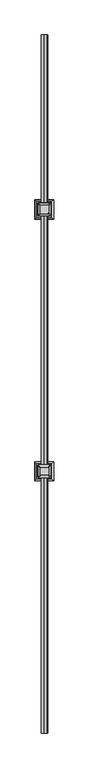
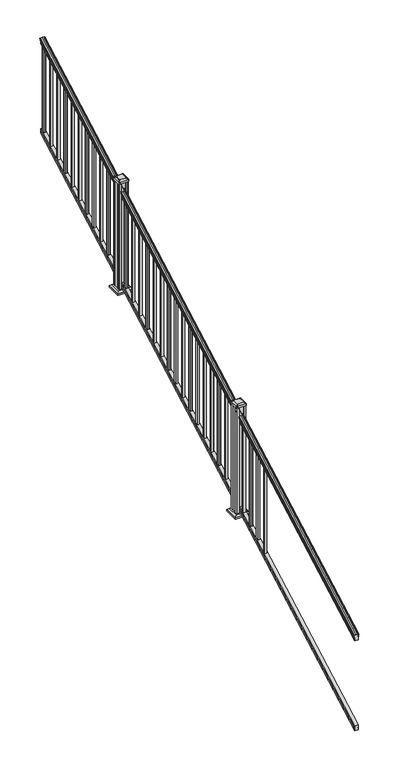
"""IFC4 building model written with IfcOpenShell, lengths in millimetres: railing geometry."""

from ifc_helpers import new_model, si_unit, point, frame, frame_2d, origin, place, context, project, spatial, polyline, circle_curve, ellipse_curve, trimmed, segment, composite_curve, outline, extrude, faceted_brep, source, transform, mapped, element, save
from ifc_brep_helpers import plane_surface, cylinder_surface, revolved_surface, extruded_surface, advanced_brep


def railing_6bd56a1e(model_context):
    return source(origin(), model_context, "Body", "SolidModel", [
        advanced_brep(
        [(8367.5614371, 1778.9805319, 1111.1933), (8370.1352659, 1778.9805319, 1111.1933), (8370.1352659, 1778.9805319, 1099.0017677), (8369.1192659, 1778.9805319, 1097.8395054), (8369.1192659, 1778.9805319, 1083.7333333), (8400.8692659, 1778.9805319, 1083.7333333), (8400.8692659, 1778.9805319, 1098.0200397), (8399.8532659, 1778.9805319, 1099.182302), (8399.8532659, 1778.9805319, 1111.1933), (8402.4270946, 1778.9805319, 1111.1933), (8402.4270946, 1778.9805319, 1113.3531886), (8403.5572809, 1778.9805319, 1115.140347), (8403.5572809, 1778.9805319, 1123.3974153), (8402.9080245, 1778.9805319, 1126.1811654), (8405.4080245, 1778.9805319, 1131.1346527), (8406.817367, 1778.9805319, 1133.0560334), (8407.219266, 1778.9805319, 1134.3198045), (8407.2192659, 1778.9805319, 1135.8530343), (8405.6658186, 1778.9805319, 1137.6301141), (8384.9942659, 1778.9805319, 1137.6301141), (8364.3227131, 1778.9805319, 1137.6301141), (8362.7692659, 1778.9805319, 1135.8530343), (8362.7692659, 1778.9805319, 1134.3198045), (8363.1711648, 1778.9805319, 1133.0560334), (8364.5805072, 1778.9805319, 1131.1346527), (8367.0805072, 1778.9805319, 1126.1811654), (8366.4312508, 1778.9805319, 1123.3974153), (8366.4312508, 1778.9805319, 1115.140347), (8367.5614371, 1778.9805319, 1113.3531886), (8367.5614371, 6655.7805319, 3820.5266334), (8367.5614371, 6655.7805319, 3822.6865219), (8366.4312508, 6655.7805319, 3824.4736803), (8366.4312508, 6655.7805319, 3832.7307486), (8367.0805072, 6655.7805319, 3835.5144987), (8364.5805072, 6655.7805319, 3840.4679861), (8363.1711648, 6655.7805319, 3842.3893668), (8362.7692658, 6655.7805319, 3843.6531378), (8362.7692659, 6655.7805319, 3845.1863676), (8364.3227131, 6655.7805319, 3846.9634474), (8384.9942659, 6655.7805319, 3846.9634474), (8405.6658186, 6655.7805319, 3846.9634474), (8407.2192659, 6655.7805319, 3845.1863676), (8407.2192659, 6655.7805319, 3843.6531378), (8406.817367, 6655.7805319, 3842.3893668), (8405.4080245, 6655.7805319, 3840.4679861), (8402.9080245, 6655.7805319, 3835.5144987), (8403.5572809, 6655.7805319, 3832.7307486), (8403.5572809, 6655.7805319, 3824.4736803), (8402.4270946, 6655.7805319, 3822.6865219), (8402.4270946, 6655.7805319, 3820.5266334), (8399.8532659, 6655.7805319, 3820.5266334), (8399.8532659, 6655.7805319, 3808.5156353), (8400.8692659, 6655.7805319, 3807.3533731), (8400.8692659, 6655.7805319, 3793.0666667), (8369.1192659, 6655.7805319, 3793.0666667), (8369.1192659, 6655.7805319, 3807.1728388), (8370.1352659, 6655.7805319, 3808.335101), (8370.1352659, 6655.7805319, 3820.5266334)],
        [
            (0, 1, ellipse_curve(frame((8368.8483515, 1778.9805319, 1111.1933), z_axis=(0.0, -1.0, 0.0), x_axis=(0.0, 0.0, -1.0)), 1.4721772, 1.2869144)),
            (1, 2),
            (2, 3),
            (3, 4),
            (4, 5),
            (5, 6),
            (6, 7),
            (7, 8),
            (8, 9, ellipse_curve(frame((8401.1401802, 1778.9805319, 1111.1933), z_axis=(0.0, -1.0, 0.0), x_axis=(0.0, 0.0, -1.0)), 1.4721772, 1.2869144)),
            (9, 10),
            (10, 11, ellipse_curve(frame((8396.1123413, 1778.9805319, 1119.9403628), z_axis=(0.0, -1.0, 0.0), x_axis=(0.0, 0.0, -1.0)), 9.7762168, 8.545951)),
            (11, 12, ellipse_curve(frame((8396.5494043, 1778.9805319, 1119.2688811), z_axis=(0.0, -1.0, 0.0), x_axis=(0.0, 0.0, -1.0)), 9.0173521, 7.882584)),
            (12, 13, ellipse_curve(frame((8407.0627284, 1778.9805319, 1125.9582895), z_axis=(0.0, 1.0, 0.0), x_axis=(0.0, 0.0, 1.0)), 4.7580334, 4.1592695)),
            (13, 14, ellipse_curve(frame((8408.350035, 1778.9805319, 1125.8892329), z_axis=(0.0, 1.0, 0.0), x_axis=(0.0, 0.0, 1.0)), 6.2322774, 5.4479907)),
            (14, 15, ellipse_curve(frame((8407.1168765, 1778.9805319, 1131.1314345), z_axis=(0.0, 1.0, 0.0), x_axis=(0.0, 0.0, 1.0)), 1.9548591, 1.7088543)),
            (15, 16, ellipse_curve(frame((8405.4999764, 1778.9805319, 1134.3198045), z_axis=(0.0, -1.0, 0.0), x_axis=(0.0, 0.0, -1.0)), 1.9667965, 1.7192895)),
            (16, 17),
            (17, 18, ellipse_curve(frame((8405.6658186, 1778.9805319, 1135.8530343), z_axis=(0.0, -1.0, 0.0), x_axis=(0.0, 0.0, -1.0)), 1.7770798, 1.5534472)),
            (18, 19),
            (19, 20),
            (20, 21, ellipse_curve(frame((8364.3227131, 1778.9805319, 1135.8530343), z_axis=(0.0, -1.0, 0.0), x_axis=(0.0, 0.0, -1.0)), 1.7770798, 1.5534472)),
            (21, 22),
            (22, 23, ellipse_curve(frame((8364.4885553, 1778.9805319, 1134.3198045), z_axis=(0.0, -1.0, 0.0), x_axis=(0.0, 0.0, -1.0)), 1.9667965, 1.7192895)),
            (23, 24, ellipse_curve(frame((8362.8716552, 1778.9805319, 1131.1314345), z_axis=(0.0, 1.0, 0.0), x_axis=(0.0, 0.0, 1.0)), 1.9548591, 1.7088543)),
            (24, 25, ellipse_curve(frame((8361.6384968, 1778.9805319, 1125.8892329), z_axis=(0.0, 1.0, 0.0), x_axis=(0.0, 0.0, 1.0)), 6.2322774, 5.4479907)),
            (25, 26, ellipse_curve(frame((8362.9258033, 1778.9805319, 1125.9582895), z_axis=(0.0, 1.0, 0.0), x_axis=(0.0, 0.0, 1.0)), 4.7580334, 4.1592695)),
            (26, 27, ellipse_curve(frame((8373.4391275, 1778.9805319, 1119.2688811), z_axis=(0.0, -1.0, 0.0), x_axis=(0.0, 0.0, -1.0)), 9.0173521, 7.882584)),
            (27, 28, ellipse_curve(frame((8373.8761904, 1778.9805319, 1119.9403628), z_axis=(0.0, -1.0, 0.0), x_axis=(0.0, 0.0, -1.0)), 9.7762168, 8.545951)),
            (28, 0),
            (29, 30),
            (30, 31, ellipse_curve(frame((8373.8761904, 6655.7805319, 3829.2736961), z_axis=(0.0, 1.0, 0.0), x_axis=(0.0, 0.0, -1.0)), 9.7762168, 8.545951)),
            (31, 32, ellipse_curve(frame((8373.4391275, 6655.7805319, 3828.6022145), z_axis=(0.0, 1.0, 0.0), x_axis=(0.0, 0.0, -1.0)), 9.0173521, 7.882584)),
            (32, 33, ellipse_curve(frame((8362.9258033, 6655.7805319, 3835.2916228), z_axis=(0.0, -1.0, 0.0), x_axis=(0.0, 0.0, 1.0)), 4.7580334, 4.1592695)),
            (33, 34, ellipse_curve(frame((8361.6384968, 6655.7805319, 3835.2225663), z_axis=(0.0, -1.0, 0.0), x_axis=(0.0, 0.0, 1.0)), 6.2322774, 5.4479907)),
            (34, 35, ellipse_curve(frame((8362.8716552, 6655.7805319, 3840.4647678), z_axis=(0.0, -1.0, 0.0), x_axis=(0.0, 0.0, 1.0)), 1.9548591, 1.7088543)),
            (35, 36, ellipse_curve(frame((8364.4885553, 6655.7805319, 3843.6531378), z_axis=(0.0, 1.0, 0.0), x_axis=(0.0, 0.0, -1.0)), 1.9667965, 1.7192895)),
            (36, 37),
            (37, 38, ellipse_curve(frame((8364.3227131, 6655.7805319, 3845.1863676), z_axis=(0.0, 1.0, 0.0), x_axis=(0.0, 0.0, -1.0)), 1.7770798, 1.5534472)),
            (38, 39),
            (39, 40),
            (40, 41, ellipse_curve(frame((8405.6658186, 6655.7805319, 3845.1863676), z_axis=(0.0, 1.0, 0.0), x_axis=(0.0, 0.0, -1.0)), 1.7770798, 1.5534472)),
            (41, 42),
            (42, 43, ellipse_curve(frame((8405.4999764, 6655.7805319, 3843.6531378), z_axis=(0.0, 1.0, 0.0), x_axis=(0.0, 0.0, -1.0)), 1.9667965, 1.7192895)),
            (43, 44, ellipse_curve(frame((8407.1168765, 6655.7805319, 3840.4647678), z_axis=(0.0, -1.0, 0.0), x_axis=(0.0, 0.0, 1.0)), 1.9548591, 1.7088543)),
            (44, 45, ellipse_curve(frame((8408.350035, 6655.7805319, 3835.2225663), z_axis=(0.0, -1.0, 0.0), x_axis=(0.0, 0.0, 1.0)), 6.2322774, 5.4479907)),
            (45, 46, ellipse_curve(frame((8407.0627284, 6655.7805319, 3835.2916228), z_axis=(0.0, -1.0, 0.0), x_axis=(0.0, 0.0, 1.0)), 4.7580334, 4.1592695)),
            (46, 47, ellipse_curve(frame((8396.5494043, 6655.7805319, 3828.6022145), z_axis=(0.0, 1.0, 0.0), x_axis=(0.0, 0.0, -1.0)), 9.0173521, 7.882584)),
            (47, 48, ellipse_curve(frame((8396.1123413, 6655.7805319, 3829.2736961), z_axis=(0.0, 1.0, 0.0), x_axis=(0.0, 0.0, -1.0)), 9.7762168, 8.545951)),
            (48, 49),
            (49, 50, ellipse_curve(frame((8401.1401802, 6655.7805319, 3820.5266334), z_axis=(0.0, 1.0, 0.0), x_axis=(0.0, 0.0, -1.0)), 1.4721772, 1.2869144)),
            (50, 51),
            (51, 52),
            (52, 53),
            (53, 54),
            (54, 55),
            (55, 56),
            (56, 57),
            (57, 29, ellipse_curve(frame((8368.8483515, 6655.7805319, 3820.5266334), z_axis=(0.0, 1.0, 0.0), x_axis=(0.0, 0.0, -1.0)), 1.4721772, 1.2869144)),
            (0, 29),
            (57, 1),
            (56, 2),
            (55, 3),
            (54, 4),
            (53, 5),
            (52, 6),
            (51, 7),
            (50, 8),
            (49, 9),
            (48, 10),
            (47, 11),
            (46, 12),
            (45, 13),
            (44, 14),
            (43, 15),
            (42, 16),
            (41, 17),
            (40, 18),
            (39, 19),
            (38, 20),
            (37, 21),
            (36, 22),
            (35, 23),
            (34, 24),
            (33, 25),
            (32, 26),
            (31, 27),
            (30, 28),
        ],
        [
            plane_surface(frame((8384.9942659, 1778.9805319, 1083.7333333), z_axis=(0.0, -1.0, 0.0), x_axis=(0.0, 0.0, 1.0))),
            plane_surface(frame((8384.9942659, 6655.7805319, 3793.0666667), z_axis=(0.0, 1.0, 0.0), x_axis=(0.0, 0.0, 1.0))),
            cylinder_surface(frame((8368.8483515, 1767.3229989, 1104.7168928), z_axis=(0.0, -0.8741572761215699, -0.4856429311785742), x_axis=(1.0, 0.0, 0.0)), 1.2869144),
            plane_surface(frame((8370.1352659, 1778.9805319, 1111.1933), z_axis=(-1.0000000000000002, 0.0, 0.0), x_axis=(0.0, 0.87415727612157, 0.4856429311785743))),
            plane_surface(frame((8370.1352659, 1778.9805319, 1099.0017677), z_axis=(-0.7071067811865404, -0.34340140987168444, 0.6181225377691303), x_axis=(0.0, 0.87415727612157, 0.4856429311785743))),
            plane_surface(frame((8369.1192659, 1778.9805319, 1097.8395054), z_axis=(-1.0000000000000002, 0.0, 0.0), x_axis=(0.0, 0.87415727612157, 0.4856429311785743))),
            plane_surface(frame((8369.1192659, 1778.9805319, 1083.7333333), z_axis=(0.0, 0.4856429311785744, -0.8741572761215699), x_axis=(0.0, 0.8741572761215699, 0.4856429311785744))),
            plane_surface(frame((8400.8692659, 1778.9805319, 1083.7333333), z_axis=(1.0000000000000002, 0.0, 0.0), x_axis=(0.0, 0.8741572761215699, 0.4856429311785744))),
            plane_surface(frame((8400.8692659, 1778.9805319, 1098.0200397), z_axis=(0.7071067811865428, -0.34340140987168494, 0.6181225377691273), x_axis=(0.0, 0.87415727612157, 0.4856429311785743))),
            plane_surface(frame((8399.8532659, 1778.9805319, 1099.182302), z_axis=(1.0000000000000002, 0.0, 0.0), x_axis=(0.0, 0.8741572761215699, 0.4856429311785744))),
            cylinder_surface(frame((8401.1401802, 1767.3229989, 1104.7168928), z_axis=(0.0, -0.8741572761215699, -0.4856429311785742), x_axis=(-1.0, 0.0, 0.0)), 1.2869144),
            plane_surface(frame((8402.4270946, 1778.9805319, 1111.1933), z_axis=(1.0000000000000002, 0.0, 0.0), x_axis=(0.0, 0.8741572761215699, 0.4856429311785744))),
            cylinder_surface(frame((8396.1123413, 1763.6096232, 1111.4009691), z_axis=(0.0, -0.8741572761215699, -0.4856429311785742), x_axis=(-1.0, 0.0, 0.0)), 8.545951),
            cylinder_surface(frame((8396.5494043, 1763.8946861, 1110.8878557), z_axis=(0.0, -0.8741572761215699, -0.4856429311785742), x_axis=(-1.0, 0.0, 0.0)), 7.882584),
            revolved_surface(polyline([(8402.9034589, 6657.80045174452, 3836.413800479864), (8402.9034589, 1776.9606120792462, 1124.8361117773575)]), (8407.0627284, 1761.054843, 1115.9995734), (0.0, 0.8741572761215699, 0.4856429311785742)),
            revolved_surface(polyline([(8402.902044299999, 6658.426310041689, 3836.6924430449585), (8402.902044299999, 1776.3347537301895, 1124.4193562056596)]), (8408.350035, 1761.0841594, 1115.9468038), (0.0, 0.8741572761215699, 0.4856429311785742)),
            revolved_surface(polyline([(8405.4080222, 6656.610424923765, 3840.925819457223), (8405.4080222, 1778.1506389094347, 1130.6703827830177)]), (8407.1168765, 1758.8586965, 1119.952637), (0.0, 0.8741572761215699, 0.4856429311785742)),
            cylinder_surface(frame((8405.4999764, 1757.5051432, 1122.389033), z_axis=(0.0, -0.8741572761215699, -0.4856429311785742), x_axis=(-1.0, 0.0, 0.0)), 1.7192895),
            plane_surface(frame((8407.2192659, 1778.9805319, 1134.3198045), z_axis=(1.0, 0.0, 0.0), x_axis=(0.0, 0.8741572761215698, 0.4856429311785744))),
            cylinder_surface(frame((8405.6658186, 1756.8542438, 1123.560652), z_axis=(0.0, -0.8741572761215699, -0.4856429311785742), x_axis=(-1.0, 0.0, 0.0)), 1.5534472),
            plane_surface(frame((8405.6658186, 1778.9805319, 1137.6301141), z_axis=(0.0, -0.4856429311785744, 0.8741572761215699), x_axis=(0.0, 0.8741572761215699, 0.4856429311785744))),
            plane_surface(frame((8384.9942659, 1778.9805319, 1137.6301141), z_axis=(0.0, -0.4856429311785743, 0.87415727612157), x_axis=(0.0, 0.87415727612157, 0.4856429311785743))),
            cylinder_surface(frame((8364.3227131, 1756.8542438, 1123.560652), z_axis=(0.0, -0.8741572761215699, -0.4856429311785742), x_axis=(1.0, 0.0, 0.0)), 1.5534472),
            plane_surface(frame((8362.7692659, 1778.9805319, 1135.8530343), z_axis=(-1.0000000000000002, 0.0, 0.0), x_axis=(0.0, 0.8741572761215699, 0.4856429311785744))),
            cylinder_surface(frame((8364.4885553, 1757.5051432, 1122.389033), z_axis=(0.0, -0.8741572761215699, -0.4856429311785742), x_axis=(1.0, 0.0, 0.0)), 1.7192895),
            revolved_surface(polyline([(8364.580509500001, 6656.610424923765, 3840.925819457223), (8364.580509500001, 1778.1506389094347, 1130.6703827830177)]), (8362.8716552, 1758.8586965, 1119.952637), (0.0, 0.8741572761215699, 0.4856429311785742)),
            revolved_surface(polyline([(8367.0864875, 6658.426310041689, 3836.6924430449585), (8367.0864875, 1776.3347537301895, 1124.4193562056596)]), (8361.6384968, 1761.0841594, 1115.9468038), (0.0, 0.8741572761215699, 0.4856429311785742)),
            revolved_surface(polyline([(8367.0850728, 6657.80045174452, 3836.413800479864), (8367.0850728, 1776.9606120792462, 1124.8361117773575)]), (8362.9258033, 1761.054843, 1115.9995734), (0.0, 0.8741572761215699, 0.4856429311785742)),
            cylinder_surface(frame((8373.4391275, 1763.8946861, 1110.8878557), z_axis=(0.0, -0.8741572761215699, -0.4856429311785742), x_axis=(1.0, 0.0, 0.0)), 7.882584),
            cylinder_surface(frame((8373.8761904, 1763.6096232, 1111.4009691), z_axis=(0.0, -0.8741572761215699, -0.4856429311785742), x_axis=(1.0, 0.0, 0.0)), 8.545951),
            plane_surface(frame((8367.5614371, 1778.9805319, 1113.3531886), z_axis=(-1.0000000000000002, 0.0, 0.0), x_axis=(0.0, 0.87415727612157, 0.4856429311785743))),
        ],
        [
            (0, [[1, 2, 3, 4, 5, 6, 7, 8, 9, 10, 11, 12, 13, 14, 15, 16, 17, 18, 19, 20, 21, 22, 23, 24, 25, 26, 27, 28, 29]]),
            (1, [[30, 31, 32, 33, 34, 35, 36, 37, 38, 39, 40, 41, 42, 43, 44, 45, 46, 47, 48, 49, 50, 51, 52, 53, 54, 55, 56, 57, 58]]),
            (2, [[-1, 59, -58, 60]]),
            (3, [[-2, -60, -57, 61]]),
            (4, [[-3, -61, -56, 62]]),
            (5, [[-4, -62, -55, 63]]),
            (6, [[-5, -63, -54, 64]]),
            (7, [[-6, -64, -53, 65]]),
            (8, [[-7, -65, -52, 66]]),
            (9, [[-8, -66, -51, 67]]),
            (10, [[-9, -67, -50, 68]]),
            (11, [[-10, -68, -49, 69]]),
            (12, [[-11, -69, -48, 70]]),
            (13, [[-12, -70, -47, 71]]),
            (14, [[-13, -71, -46, 72]]),
            (15, [[-14, -72, -45, 73]]),
            (16, [[-15, -73, -44, 74]]),
            (17, [[-16, -74, -43, 75]]),
            (18, [[-17, -75, -42, 76]]),
            (19, [[-18, -76, -41, 77]]),
            (20, [[-19, -77, -40, 78]]),
            (21, [[-20, -78, -39, 79]]),
            (22, [[-21, -79, -38, 80]]),
            (23, [[-22, -80, -37, 81]]),
            (24, [[-23, -81, -36, 82]]),
            (25, [[-24, -82, -35, 83]]),
            (26, [[-25, -83, -34, 84]]),
            (27, [[-26, -84, -33, 85]]),
            (28, [[-27, -85, -32, 86]]),
            (29, [[-28, -86, -31, 87]]),
            (30, [[-29, -87, -30, -59]]),
        ],
    ),
        faceted_brep([(8369.081779, 1778.9805319, 247.1948195), (8369.081779, 1778.9805319, 232.8333333), (8400.831779, 1778.9805319, 232.8333333), (8400.831779, 1778.9805319, 247.1757762), (8399.815779, 1778.9805319, 248.7181503), (8399.815779, 1778.9805319, 260.5143074), (8400.831779, 1778.9805319, 262.0566814), (8400.831779, 1778.9805319, 276.4134523), (8369.081779, 1778.9805319, 276.4134523), (8369.081779, 1778.9805319, 262.0757247), (8370.097779, 1778.9805319, 260.5333506), (8370.097779, 1778.9805319, 248.6824473), (8369.081779, 6655.7805319, 2956.5281528), (8370.097779, 6655.7805319, 2958.0157807), (8370.097779, 6655.7805319, 2969.8666839), (8369.081779, 6655.7805319, 2971.409058), (8369.081779, 6655.7805319, 2985.7467856), (8400.831779, 6655.7805319, 2985.7467856), (8400.831779, 6655.7805319, 2971.3900148), (8399.815779, 6655.7805319, 2969.8476407), (8399.815779, 6655.7805319, 2958.0514837), (8400.831779, 6655.7805319, 2956.5091096), (8400.831779, 6655.7805319, 2942.1666667), (8369.081779, 6655.7805319, 2942.1666667)], [[[0, 1, 2, 3, 4, 5, 6, 7, 8, 9, 10, 11]], [[12, 13, 14, 15, 16, 17, 18, 19, 20, 21, 22, 23]], [[1, 0, 12, 23]], [[2, 1, 23, 22]], [[3, 2, 22, 21]], [[4, 3, 21, 20]], [[5, 4, 20, 19]], [[6, 5, 19, 18]], [[7, 6, 18, 17]], [[8, 7, 17, 16]], [[9, 8, 16, 15]], [[10, 9, 15, 14]], [[11, 10, 14, 13]], [[0, 11, 13, 12]]]),
        extrude(outline(polyline([(8375.4692659, 6619.2680319), (8375.4692659, 6638.3180319), (8394.5192659, 6638.3180319), (8394.5192659, 6619.2680319), (8375.4692659, 6619.2680319)]), holes=[polyline([(8375.8661409, 6619.6649069), (8394.1223909, 6619.6649069), (8394.1223909, 6637.9211569), (8375.8661409, 6637.9211569), (8375.8661409, 6619.6649069)])]), frame((0.0, 0.0, 2965.2694892), z_axis=(0.0, 0.0, 1.0), x_axis=(1.0, 0.0, 0.0)), (0.0, 0.0, 1.0), 812.8041219),
        extrude(outline(polyline([(8375.4692659, 6508.1430319), (8375.4692659, 6527.1930319), (8394.5192659, 6527.1930319), (8394.5192659, 6508.1430319), (8375.4692659, 6508.1430319)]), holes=[polyline([(8375.8661409, 6508.5399069), (8394.1223909, 6508.5399069), (8394.1223909, 6526.7961569), (8375.8661409, 6526.7961569), (8375.8661409, 6508.5399069)])]), frame((0.0, 0.0, 2903.5333781), z_axis=(0.0, 0.0, 1.0), x_axis=(1.0, 0.0, 0.0)), (0.0, 0.0, 1.0), 812.8041219),
        extrude(outline(polyline([(8375.4692659, 6397.0180319), (8375.4692659, 6416.0680319), (8394.5192659, 6416.0680319), (8394.5192659, 6397.0180319), (8375.4692659, 6397.0180319)]), holes=[polyline([(8375.8661409, 6397.4149069), (8394.1223909, 6397.4149069), (8394.1223909, 6415.6711569), (8375.8661409, 6415.6711569), (8375.8661409, 6397.4149069)])]), frame((0.0, 0.0, 2841.797267), z_axis=(0.0, 0.0, 1.0), x_axis=(1.0, 0.0, 0.0)), (0.0, 0.0, 1.0), 812.8041219),
        extrude(outline(polyline([(8375.4692659, 6285.8930319), (8375.4692659, 6304.9430319), (8394.5192659, 6304.9430319), (8394.5192659, 6285.8930319), (8375.4692659, 6285.8930319)]), holes=[polyline([(8375.8661409, 6286.2899069), (8394.1223909, 6286.2899069), (8394.1223909, 6304.5461569), (8375.8661409, 6304.5461569), (8375.8661409, 6286.2899069)])]), frame((0.0, 0.0, 2780.0611558), z_axis=(0.0, 0.0, 1.0), x_axis=(1.0, 0.0, 0.0)), (0.0, 0.0, 1.0), 812.8041219),
        extrude(outline(polyline([(8375.4692659, 6174.7680319), (8375.4692659, 6193.8180319), (8394.5192659, 6193.8180319), (8394.5192659, 6174.7680319), (8375.4692659, 6174.7680319)]), holes=[polyline([(8375.8661409, 6175.1649069), (8394.1223909, 6175.1649069), (8394.1223909, 6193.4211569), (8375.8661409, 6193.4211569), (8375.8661409, 6175.1649069)])]), frame((0.0, 0.0, 2718.3250447), z_axis=(0.0, 0.0, 1.0), x_axis=(1.0, 0.0, 0.0)), (0.0, 0.0, 1.0), 812.8041219),
        extrude(outline(polyline([(8375.4692659, 6063.6430319), (8375.4692659, 6082.6930319), (8394.5192659, 6082.6930319), (8394.5192659, 6063.6430319), (8375.4692659, 6063.6430319)]), holes=[polyline([(8375.8661409, 6064.0399069), (8394.1223909, 6064.0399069), (8394.1223909, 6082.2961569), (8375.8661409, 6082.2961569), (8375.8661409, 6064.0399069)])]), frame((0.0, 0.0, 2656.5889336), z_axis=(0.0, 0.0, 1.0), x_axis=(1.0, 0.0, 0.0)), (0.0, 0.0, 1.0), 812.8041219),
        extrude(outline(polyline([(8375.4692659, 5952.5180319), (8375.4692659, 5971.5680319), (8394.5192659, 5971.5680319), (8394.5192659, 5952.5180319), (8375.4692659, 5952.5180319)]), holes=[polyline([(8375.8661409, 5952.9149069), (8394.1223909, 5952.9149069), (8394.1223909, 5971.1711569), (8375.8661409, 5971.1711569), (8375.8661409, 5952.9149069)])]), frame((0.0, 0.0, 2594.8528225), z_axis=(0.0, 0.0, 1.0), x_axis=(1.0, 0.0, 0.0)), (0.0, 0.0, 1.0), 812.8041219),
        extrude(outline(polyline([(8375.4692659, 5841.3930319), (8375.4692659, 5860.4430319), (8394.5192659, 5860.4430319), (8394.5192659, 5841.3930319), (8375.4692659, 5841.3930319)]), holes=[polyline([(8375.8661409, 5841.7899069), (8394.1223909, 5841.7899069), (8394.1223909, 5860.0461569), (8375.8661409, 5860.0461569), (8375.8661409, 5841.7899069)])]), frame((0.0, 0.0, 2533.1167114), z_axis=(0.0, 0.0, 1.0), x_axis=(1.0, 0.0, 0.0)), (0.0, 0.0, 1.0), 812.8041219),
        extrude(outline(polyline([(8375.4692659, 5730.2680319), (8375.4692659, 5749.3180319), (8394.5192659, 5749.3180319), (8394.5192659, 5730.2680319), (8375.4692659, 5730.2680319)]), holes=[polyline([(8375.8661409, 5730.6649069), (8394.1223909, 5730.6649069), (8394.1223909, 5748.9211569), (8375.8661409, 5748.9211569), (8375.8661409, 5730.6649069)])]), frame((0.0, 0.0, 2471.3806003), z_axis=(0.0, 0.0, 1.0), x_axis=(1.0, 0.0, 0.0)), (0.0, 0.0, 1.0), 812.8041219),
        extrude(outline(polyline([(8375.4692659, 5619.1430319), (8375.4692659, 5638.1930319), (8394.5192659, 5638.1930319), (8394.5192659, 5619.1430319), (8375.4692659, 5619.1430319)]), holes=[polyline([(8375.8661409, 5619.5399069), (8394.1223909, 5619.5399069), (8394.1223909, 5637.7961569), (8375.8661409, 5637.7961569), (8375.8661409, 5619.5399069)])]), frame((0.0, 0.0, 2409.6444892), z_axis=(0.0, 0.0, 1.0), x_axis=(1.0, 0.0, 0.0)), (0.0, 0.0, 1.0), 812.8041219),
        extrude(outline(polyline([(8375.4692659, 5508.0180319), (8375.4692659, 5527.0680319), (8394.5192659, 5527.0680319), (8394.5192659, 5508.0180319), (8375.4692659, 5508.0180319)]), holes=[polyline([(8375.8661409, 5508.4149069), (8394.1223909, 5508.4149069), (8394.1223909, 5526.6711569), (8375.8661409, 5526.6711569), (8375.8661409, 5508.4149069)])]), frame((0.0, 0.0, 2347.9083781), z_axis=(0.0, 0.0, 1.0), x_axis=(1.0, 0.0, 0.0)), (0.0, 0.0, 1.0), 812.8041219),
        faceted_brep([(8332.4083284, 5383.9945944, 2229.9083333), (8437.5802034, 5383.9945944, 2229.9083333), (8437.5802034, 5489.1664694, 2229.9083333), (8332.4083284, 5489.1664694, 2229.9083333), (8318.3688753, 5369.9551413, 2216.5733333), (8318.3688753, 5503.2059225, 2216.5733333), (8451.6196565, 5503.2059225, 2216.5733333), (8451.6196565, 5369.9551413, 2216.5733333)], [[[0, 1, 2, 3]], [[4, 5, 6, 7]], [[4, 7, 1, 0]], [[7, 6, 2, 1]], [[6, 5, 3, 2]], [[5, 4, 0, 3]]]),
        extrude(outline(polyline([(8318.3688753, 5369.9551413), (8318.3688753, 5503.2059225), (8451.6196565, 5503.2059225), (8451.6196565, 5369.9551413), (8318.3688753, 5369.9551413)])), frame((0.0, 0.0, 2201.3333333), z_axis=(0.0, 0.0, 1.0), x_axis=(1.0, 0.0, 0.0)), (0.0, 0.0, 1.0), 15.24),
        advanced_brep(
        [(8410.7911409, 5407.6086569, 3261.2725964), (8413.9661409, 5410.7836569, 3261.2725964), (8413.9661409, 5462.3774069, 3261.2725964), (8410.7911409, 5465.5524069, 3261.2725964), (8359.1973909, 5465.5524069, 3261.2725964), (8356.0223909, 5462.3774069, 3261.2725964), (8356.0223909, 5410.7836569, 3261.2725964), (8359.1973909, 5407.6086569, 3261.2725964), (8427.0630159, 5391.3367819, 3249.9695964), (8342.9255159, 5391.3367819, 3249.9695964), (8339.7505159, 5394.5117819, 3249.9695964), (8339.7505159, 5478.6492819, 3249.9695964), (8342.9255159, 5481.8242819, 3249.9695964), (8427.0630159, 5481.8242819, 3249.9695964), (8430.2380159, 5478.6492819, 3249.9695964), (8430.2380159, 5394.5117819, 3249.9695964)],
        [
            (0, 1, circle_curve(frame((8410.7911409, 5410.7836569, 3261.2725964), z_axis=(0.0, 0.0, 1.0), x_axis=(0.0, 1.0, 0.0)), 3.175)),
            (1, 2),
            (2, 3, circle_curve(frame((8410.7911409, 5462.3774069, 3261.2725964), z_axis=(0.0, 0.0, 1.0), x_axis=(0.0, 1.0, 0.0)), 3.175)),
            (3, 4),
            (4, 5, circle_curve(frame((8359.1973909, 5462.3774069, 3261.2725964), z_axis=(0.0, 0.0, 1.0), x_axis=(0.0, 1.0, 0.0)), 3.175)),
            (5, 6),
            (6, 7, circle_curve(frame((8359.1973909, 5410.7836569, 3261.2725964), z_axis=(0.0, 0.0, 1.0), x_axis=(0.0, 1.0, 0.0)), 3.175)),
            (7, 0),
            (8, 9),
            (9, 10, circle_curve(frame((8342.9255159, 5394.5117819, 3249.9695964), z_axis=(0.0, 0.0, -1.0), x_axis=(0.0, 1.0, 0.0)), 3.175)),
            (10, 11),
            (11, 12, circle_curve(frame((8342.9255159, 5478.6492819, 3249.9695964), z_axis=(0.0, 0.0, -1.0), x_axis=(0.0, 1.0, 0.0)), 3.175)),
            (12, 13),
            (13, 14, circle_curve(frame((8427.0630159, 5478.6492819, 3249.9695964), z_axis=(0.0, 0.0, -1.0), x_axis=(0.0, 1.0, 0.0)), 3.175)),
            (14, 15),
            (15, 8, circle_curve(frame((8427.0630159, 5394.5117819, 3249.9695964), z_axis=(0.0, 0.0, -1.0), x_axis=(0.0, 1.0, 0.0)), 3.175)),
            (15, 1),
            (0, 8),
            (14, 2),
            (13, 3),
            (12, 4),
            (11, 5),
            (10, 6),
            (9, 7),
        ],
        [
            plane_surface(frame((8384.9942659, 5436.5805319, 3261.2725964), z_axis=(0.0, 0.0, 1.0), x_axis=(1.0, 0.0, 0.0))),
            plane_surface(frame((8384.9942659, 5436.5805319, 3249.9695964), z_axis=(0.0, 0.0, -1.0), x_axis=(1.0, 0.0, 0.0))),
            extruded_surface(trimmed(circle_curve(frame((8427.0630159, 5394.5117819, 3249.9695964), z_axis=(0.0, 0.0, 1.0), x_axis=(0.0, 1.0, 0.0)), 3.175), [point((8427.0630159, 5391.3367819, 3249.9695964))], [point((8430.2380159, 5394.5117819, 3249.9695964))], True, "CARTESIAN"), (-16.271874999998545, 16.271875000000364, 11.303000000000338), 25.63797263886562),
            plane_surface(frame((8430.2380159, 5436.5805319, 3249.9695964), z_axis=(0.5705009161540778, 0.0, 0.8212969649690408), x_axis=(0.0, 1.0, 0.0))),
            extruded_surface(trimmed(circle_curve(frame((8427.0630159, 5478.6492819, 3249.9695964), z_axis=(0.0, 0.0, 1.0), x_axis=(0.0, 1.0, 0.0)), 3.175), [point((8430.2380159, 5478.6492819, 3249.9695964))], [point((8427.0630159, 5481.8242819, 3249.9695964))], True, "CARTESIAN"), (-16.271874999998545, -16.271874999999454, 11.303000000000338), 25.63797263886504),
            plane_surface(frame((8384.9942659, 5481.8242819, 3249.9695964), z_axis=(0.0, 0.5705009161540291, 0.8212969649690747), x_axis=(-1.0, 0.0, 0.0))),
            extruded_surface(trimmed(circle_curve(frame((8342.9255159, 5478.6492819, 3249.9695964), z_axis=(0.0, 0.0, 1.0), x_axis=(0.0, 1.0, 0.0)), 3.175), [point((8342.9255159, 5481.8242819, 3249.9695964))], [point((8339.7505159, 5478.6492819, 3249.9695964))], True, "CARTESIAN"), (16.271875000000364, -16.271874999999454, 11.303000000000338), 25.6379726388662),
            plane_surface(frame((8339.7505159, 5436.5805319, 3249.9695964), z_axis=(-0.5705009161540142, 0.0, 0.8212969649690851), x_axis=(0.0, -1.0, 0.0))),
            extruded_surface(trimmed(circle_curve(frame((8342.9255159, 5394.5117819, 3249.9695964), z_axis=(0.0, 0.0, 1.0), x_axis=(0.0, 1.0, 0.0)), 3.175), [point((8339.7505159, 5394.5117819, 3249.9695964))], [point((8342.9255159, 5391.3367819, 3249.9695964))], True, "CARTESIAN"), (16.271875000000364, 16.271875000000364, 11.303000000000338), 25.637972638866774),
            plane_surface(frame((8384.9942659, 5391.3367819, 3249.9695964), z_axis=(0.0, -0.570500916154034, 0.8212969649690713), x_axis=(1.0, 0.0, 0.0))),
        ],
        [
            (0, [[1, 2, 3, 4, 5, 6, 7, 8]]),
            (1, [[9, 10, 11, 12, 13, 14, 15, 16]]),
            (2, [[-16, 17, -1, 18]]),
            (3, [[-15, 19, -2, -17]]),
            (4, [[-14, 20, -3, -19]]),
            (5, [[-13, 21, -4, -20]]),
            (6, [[-12, 22, -5, -21]]),
            (7, [[-11, 23, -6, -22]]),
            (8, [[-10, 24, -7, -23]]),
            (9, [[-9, -18, -8, -24]]),
        ],
    ),
        extrude(outline(composite_curve([segment(polyline([(8427.0630159, 5391.3367819), (8342.9255159, 5391.3367819)]), True, "CONTINUOUS"), segment(trimmed(circle_curve(frame_2d((8342.9255159, 5394.5117819)), 3.175), [point((8342.9255159, 5391.3367819))], [point((8339.7505159, 5394.5117819))], False, "CARTESIAN"), True, "CONTINUOUS"), segment(polyline([(8339.7505159, 5394.5117819), (8339.7505159, 5478.6492819)]), True, "CONTINUOUS"), segment(trimmed(circle_curve(frame_2d((8342.9255159, 5478.6492819)), 3.175), [point((8339.7505159, 5478.6492819))], [point((8342.9255159, 5481.8242819))], False, "CARTESIAN"), True, "CONTINUOUS"), segment(polyline([(8342.9255159, 5481.8242819), (8427.0630159, 5481.8242819)]), True, "CONTINUOUS"), segment(trimmed(circle_curve(frame_2d((8427.0630159, 5478.6492819)), 3.175), [point((8427.0630159, 5481.8242819))], [point((8430.2380159, 5478.6492819))], False, "CARTESIAN"), True, "CONTINUOUS"), segment(polyline([(8430.2380159, 5478.6492819), (8430.2380159, 5394.5117819)]), True, "CONTINUOUS"), segment(trimmed(circle_curve(frame_2d((8427.0630159, 5394.5117819)), 3.175), [point((8430.2380159, 5394.5117819))], [point((8427.0630159, 5391.3367819))], False, "CARTESIAN"), True, "CONTINUOUS")], self_intersect=False)), frame((0.0, 0.0, 3232.6975964), z_axis=(0.0, 0.0, 1.0), x_axis=(1.0, 0.0, 0.0)), (0.0, 0.0, 1.0), 17.272),
        extrude(outline(polyline([(8424.6817659, 5395.3055319), (8405.0602659, 5395.3055319), (8404.2982659, 5396.8930319), (8365.6902659, 5396.8930319), (8364.9282659, 5395.3055319), (8345.3067659, 5395.3055319), (8343.7192659, 5396.8930319), (8343.7192659, 5416.5145319), (8345.3067659, 5417.2765319), (8345.3067659, 5455.8845319), (8343.7192659, 5456.6465319), (8343.7192659, 5476.2680319), (8345.3067659, 5477.8555319), (8364.9282659, 5477.8555319), (8365.6902659, 5476.2680319), (8404.2982659, 5476.2680319), (8405.0602659, 5477.8555319), (8424.6817659, 5477.8555319), (8426.2692659, 5476.2680319), (8426.2692659, 5456.6465319), (8424.6817659, 5455.8845319), (8424.6817659, 5417.2765319), (8426.2692659, 5416.5145319), (8426.2692659, 5396.8930319), (8424.6817659, 5395.3055319)])), frame((0.0, 0.0, 2201.3333333), z_axis=(0.0, 0.0, 1.0), x_axis=(1.0, 0.0, 0.0)), (0.0, 0.0, 1.0), 1031.364263),
        extrude(outline(polyline([(8375.4692659, 5346.0930319), (8375.4692659, 5365.1430319), (8394.5192659, 5365.1430319), (8394.5192659, 5346.0930319), (8375.4692659, 5346.0930319)]), holes=[polyline([(8375.8661409, 5346.4899069), (8394.1223909, 5346.4899069), (8394.1223909, 5364.7461569), (8375.8661409, 5364.7461569), (8375.8661409, 5346.4899069)])]), frame((0.0, 0.0, 2257.9500447), z_axis=(0.0, 0.0, 1.0), x_axis=(1.0, 0.0, 0.0)), (0.0, 0.0, 1.0), 812.8041219),
        extrude(outline(polyline([(8375.4692659, 5234.9680319), (8375.4692659, 5254.0180319), (8394.5192659, 5254.0180319), (8394.5192659, 5234.9680319), (8375.4692659, 5234.9680319)]), holes=[polyline([(8375.8661409, 5235.3649069), (8394.1223909, 5235.3649069), (8394.1223909, 5253.6211569), (8375.8661409, 5253.6211569), (8375.8661409, 5235.3649069)])]), frame((0.0, 0.0, 2196.2139336), z_axis=(0.0, 0.0, 1.0), x_axis=(1.0, 0.0, 0.0)), (0.0, 0.0, 1.0), 812.8041219),
        extrude(outline(polyline([(8375.4692659, 5123.8430319), (8375.4692659, 5142.8930319), (8394.5192659, 5142.8930319), (8394.5192659, 5123.8430319), (8375.4692659, 5123.8430319)]), holes=[polyline([(8375.8661409, 5124.2399069), (8394.1223909, 5124.2399069), (8394.1223909, 5142.4961569), (8375.8661409, 5142.4961569), (8375.8661409, 5124.2399069)])]), frame((0.0, 0.0, 2134.4778225), z_axis=(0.0, 0.0, 1.0), x_axis=(1.0, 0.0, 0.0)), (0.0, 0.0, 1.0), 812.8041219),
        extrude(outline(polyline([(8375.4692659, 5012.7180319), (8375.4692659, 5031.7680319), (8394.5192659, 5031.7680319), (8394.5192659, 5012.7180319), (8375.4692659, 5012.7180319)]), holes=[polyline([(8375.8661409, 5013.1149069), (8394.1223909, 5013.1149069), (8394.1223909, 5031.3711569), (8375.8661409, 5031.3711569), (8375.8661409, 5013.1149069)])]), frame((0.0, 0.0, 2072.7417114), z_axis=(0.0, 0.0, 1.0), x_axis=(1.0, 0.0, 0.0)), (0.0, 0.0, 1.0), 812.8041219),
        extrude(outline(polyline([(8375.4692659, 4901.5930319), (8375.4692659, 4920.6430319), (8394.5192659, 4920.6430319), (8394.5192659, 4901.5930319), (8375.4692659, 4901.5930319)]), holes=[polyline([(8375.8661409, 4901.9899069), (8394.1223909, 4901.9899069), (8394.1223909, 4920.2461569), (8375.8661409, 4920.2461569), (8375.8661409, 4901.9899069)])]), frame((0.0, 0.0, 2011.0056003), z_axis=(0.0, 0.0, 1.0), x_axis=(1.0, 0.0, 0.0)), (0.0, 0.0, 1.0), 812.8041219),
        extrude(outline(polyline([(8375.4692659, 4790.4680319), (8375.4692659, 4809.5180319), (8394.5192659, 4809.5180319), (8394.5192659, 4790.4680319), (8375.4692659, 4790.4680319)]), holes=[polyline([(8375.8661409, 4790.8649069), (8394.1223909, 4790.8649069), (8394.1223909, 4809.1211569), (8375.8661409, 4809.1211569), (8375.8661409, 4790.8649069)])]), frame((0.0, 0.0, 1949.2694892), z_axis=(0.0, 0.0, 1.0), x_axis=(1.0, 0.0, 0.0)), (0.0, 0.0, 1.0), 812.8041219),
        extrude(outline(polyline([(8375.4692659, 4679.3430319), (8375.4692659, 4698.3930319), (8394.5192659, 4698.3930319), (8394.5192659, 4679.3430319), (8375.4692659, 4679.3430319)]), holes=[polyline([(8375.8661409, 4679.7399069), (8394.1223909, 4679.7399069), (8394.1223909, 4697.9961569), (8375.8661409, 4697.9961569), (8375.8661409, 4679.7399069)])]), frame((0.0, 0.0, 1887.5333781), z_axis=(0.0, 0.0, 1.0), x_axis=(1.0, 0.0, 0.0)), (0.0, 0.0, 1.0), 812.8041219),
        extrude(outline(polyline([(8375.4692659, 4568.2180319), (8375.4692659, 4587.2680319), (8394.5192659, 4587.2680319), (8394.5192659, 4568.2180319), (8375.4692659, 4568.2180319)]), holes=[polyline([(8375.8661409, 4568.6149069), (8394.1223909, 4568.6149069), (8394.1223909, 4586.8711569), (8375.8661409, 4586.8711569), (8375.8661409, 4568.6149069)])]), frame((0.0, 0.0, 1825.797267), z_axis=(0.0, 0.0, 1.0), x_axis=(1.0, 0.0, 0.0)), (0.0, 0.0, 1.0), 812.8041219),
        extrude(outline(polyline([(8375.4692659, 4457.0930319), (8375.4692659, 4476.1430319), (8394.5192659, 4476.1430319), (8394.5192659, 4457.0930319), (8375.4692659, 4457.0930319)]), holes=[polyline([(8375.8661409, 4457.4899069), (8394.1223909, 4457.4899069), (8394.1223909, 4475.7461569), (8375.8661409, 4475.7461569), (8375.8661409, 4457.4899069)])]), frame((0.0, 0.0, 1764.0611558), z_axis=(0.0, 0.0, 1.0), x_axis=(1.0, 0.0, 0.0)), (0.0, 0.0, 1.0), 812.8041219),
        extrude(outline(polyline([(8375.4692659, 4345.9680319), (8375.4692659, 4365.0180319), (8394.5192659, 4365.0180319), (8394.5192659, 4345.9680319), (8375.4692659, 4345.9680319)]), holes=[polyline([(8375.8661409, 4346.3649069), (8394.1223909, 4346.3649069), (8394.1223909, 4364.6211569), (8375.8661409, 4364.6211569), (8375.8661409, 4346.3649069)])]), frame((0.0, 0.0, 1702.3250447), z_axis=(0.0, 0.0, 1.0), x_axis=(1.0, 0.0, 0.0)), (0.0, 0.0, 1.0), 812.8041219),
        extrude(outline(polyline([(8375.4692659, 4234.8430319), (8375.4692659, 4253.8930319), (8394.5192659, 4253.8930319), (8394.5192659, 4234.8430319), (8375.4692659, 4234.8430319)]), holes=[polyline([(8375.8661409, 4235.2399069), (8394.1223909, 4235.2399069), (8394.1223909, 4253.4961569), (8375.8661409, 4253.4961569), (8375.8661409, 4235.2399069)])]), frame((0.0, 0.0, 1640.5889336), z_axis=(0.0, 0.0, 1.0), x_axis=(1.0, 0.0, 0.0)), (0.0, 0.0, 1.0), 812.8041219),
        extrude(outline(polyline([(8375.4692659, 4123.7180319), (8375.4692659, 4142.7680319), (8394.5192659, 4142.7680319), (8394.5192659, 4123.7180319), (8375.4692659, 4123.7180319)]), holes=[polyline([(8375.8661409, 4124.1149069), (8394.1223909, 4124.1149069), (8394.1223909, 4142.3711569), (8375.8661409, 4142.3711569), (8375.8661409, 4124.1149069)])]), frame((0.0, 0.0, 1578.8528225), z_axis=(0.0, 0.0, 1.0), x_axis=(1.0, 0.0, 0.0)), (0.0, 0.0, 1.0), 812.8041219),
        extrude(outline(polyline([(8375.4692659, 4012.5930319), (8375.4692659, 4031.6430319), (8394.5192659, 4031.6430319), (8394.5192659, 4012.5930319), (8375.4692659, 4012.5930319)]), holes=[polyline([(8375.8661409, 4012.9899069), (8394.1223909, 4012.9899069), (8394.1223909, 4031.2461569), (8375.8661409, 4031.2461569), (8375.8661409, 4012.9899069)])]), frame((0.0, 0.0, 1517.1167114), z_axis=(0.0, 0.0, 1.0), x_axis=(1.0, 0.0, 0.0)), (0.0, 0.0, 1.0), 812.8041219),
        extrude(outline(polyline([(8375.4692659, 3901.4680319), (8375.4692659, 3920.5180319), (8394.5192659, 3920.5180319), (8394.5192659, 3901.4680319), (8375.4692659, 3901.4680319)]), holes=[polyline([(8375.8661409, 3901.8649069), (8394.1223909, 3901.8649069), (8394.1223909, 3920.1211569), (8375.8661409, 3920.1211569), (8375.8661409, 3901.8649069)])]), frame((0.0, 0.0, 1455.3806003), z_axis=(0.0, 0.0, 1.0), x_axis=(1.0, 0.0, 0.0)), (0.0, 0.0, 1.0), 812.8041219),
        extrude(outline(polyline([(8375.4692659, 3790.3430319), (8375.4692659, 3809.3930319), (8394.5192659, 3809.3930319), (8394.5192659, 3790.3430319), (8375.4692659, 3790.3430319)]), holes=[polyline([(8375.8661409, 3790.7399069), (8394.1223909, 3790.7399069), (8394.1223909, 3808.9961569), (8375.8661409, 3808.9961569), (8375.8661409, 3790.7399069)])]), frame((0.0, 0.0, 1393.6444892), z_axis=(0.0, 0.0, 1.0), x_axis=(1.0, 0.0, 0.0)), (0.0, 0.0, 1.0), 812.8041219),
        extrude(outline(polyline([(8375.4692659, 3679.2180319), (8375.4692659, 3698.2680319), (8394.5192659, 3698.2680319), (8394.5192659, 3679.2180319), (8375.4692659, 3679.2180319)]), holes=[polyline([(8375.8661409, 3679.6149069), (8394.1223909, 3679.6149069), (8394.1223909, 3697.8711569), (8375.8661409, 3697.8711569), (8375.8661409, 3679.6149069)])]), frame((0.0, 0.0, 1331.9083781), z_axis=(0.0, 0.0, 1.0), x_axis=(1.0, 0.0, 0.0)), (0.0, 0.0, 1.0), 812.8041219),
        faceted_brep([(8332.4083284, 3555.1945944, 1213.9083333), (8437.5802034, 3555.1945944, 1213.9083333), (8437.5802034, 3660.3664694, 1213.9083333), (8332.4083284, 3660.3664694, 1213.9083333), (8318.3688753, 3541.1551413, 1200.5733333), (8318.3688753, 3674.4059225, 1200.5733333), (8451.6196565, 3674.4059225, 1200.5733333), (8451.6196565, 3541.1551413, 1200.5733333)], [[[0, 1, 2, 3]], [[4, 5, 6, 7]], [[4, 7, 1, 0]], [[7, 6, 2, 1]], [[6, 5, 3, 2]], [[5, 4, 0, 3]]]),
        extrude(outline(polyline([(8318.3688753, 3541.1551413), (8318.3688753, 3674.4059225), (8451.6196565, 3674.4059225), (8451.6196565, 3541.1551413), (8318.3688753, 3541.1551413)])), frame((0.0, 0.0, 1185.3333333), z_axis=(0.0, 0.0, 1.0), x_axis=(1.0, 0.0, 0.0)), (0.0, 0.0, 1.0), 15.24),
        advanced_brep(
        [(8410.7911409, 3578.8086569, 2245.2725964), (8413.9661409, 3581.9836569, 2245.2725964), (8413.9661409, 3633.5774069, 2245.2725964), (8410.7911409, 3636.7524069, 2245.2725964), (8359.1973909, 3636.7524069, 2245.2725964), (8356.0223909, 3633.5774069, 2245.2725964), (8356.0223909, 3581.9836569, 2245.2725964), (8359.1973909, 3578.8086569, 2245.2725964), (8427.0630159, 3562.5367819, 2233.9695964), (8342.9255159, 3562.5367819, 2233.9695964), (8339.7505159, 3565.7117819, 2233.9695964), (8339.7505159, 3649.8492819, 2233.9695964), (8342.9255159, 3653.0242819, 2233.9695964), (8427.0630159, 3653.0242819, 2233.9695964), (8430.2380159, 3649.8492819, 2233.9695964), (8430.2380159, 3565.7117819, 2233.9695964)],
        [
            (0, 1, circle_curve(frame((8410.7911409, 3581.9836569, 2245.2725964), z_axis=(0.0, 0.0, 1.0), x_axis=(0.0, 1.0, 0.0)), 3.175)),
            (1, 2),
            (2, 3, circle_curve(frame((8410.7911409, 3633.5774069, 2245.2725964), z_axis=(0.0, 0.0, 1.0), x_axis=(0.0, 1.0, 0.0)), 3.175)),
            (3, 4),
            (4, 5, circle_curve(frame((8359.1973909, 3633.5774069, 2245.2725964), z_axis=(0.0, 0.0, 1.0), x_axis=(0.0, 1.0, 0.0)), 3.175)),
            (5, 6),
            (6, 7, circle_curve(frame((8359.1973909, 3581.9836569, 2245.2725964), z_axis=(0.0, 0.0, 1.0), x_axis=(0.0, 1.0, 0.0)), 3.175)),
            (7, 0),
            (8, 9),
            (9, 10, circle_curve(frame((8342.9255159, 3565.7117819, 2233.9695964), z_axis=(0.0, 0.0, -1.0), x_axis=(0.0, 1.0, 0.0)), 3.175)),
            (10, 11),
            (11, 12, circle_curve(frame((8342.9255159, 3649.8492819, 2233.9695964), z_axis=(0.0, 0.0, -1.0), x_axis=(0.0, 1.0, 0.0)), 3.175)),
            (12, 13),
            (13, 14, circle_curve(frame((8427.0630159, 3649.8492819, 2233.9695964), z_axis=(0.0, 0.0, -1.0), x_axis=(0.0, 1.0, 0.0)), 3.175)),
            (14, 15),
            (15, 8, circle_curve(frame((8427.0630159, 3565.7117819, 2233.9695964), z_axis=(0.0, 0.0, -1.0), x_axis=(0.0, 1.0, 0.0)), 3.175)),
            (15, 1),
            (0, 8),
            (14, 2),
            (13, 3),
            (12, 4),
            (11, 5),
            (10, 6),
            (9, 7),
        ],
        [
            plane_surface(frame((8384.9942659, 3607.7805319, 2245.2725964), z_axis=(0.0, 0.0, 1.0), x_axis=(1.0, 0.0, 0.0))),
            plane_surface(frame((8384.9942659, 3607.7805319, 2233.9695964), z_axis=(0.0, 0.0, -1.0), x_axis=(1.0, 0.0, 0.0))),
            extruded_surface(trimmed(circle_curve(frame((8427.0630159, 3565.7117819, 2233.9695964), z_axis=(0.0, 0.0, 1.0), x_axis=(0.0, 1.0, 0.0)), 3.175), [point((8427.0630159, 3562.5367819, 2233.9695964))], [point((8430.2380159, 3565.7117819, 2233.9695964))], True, "CARTESIAN"), (-16.271874999998545, 16.27187499999991, 11.303000000000338), 25.63797263886533),
            plane_surface(frame((8430.2380159, 3607.7805319, 2233.9695964), z_axis=(0.5705009161540778, 0.0, 0.8212969649690408), x_axis=(0.0, 1.0, 0.0))),
            extruded_surface(trimmed(circle_curve(frame((8427.0630159, 3649.8492819, 2233.9695964), z_axis=(0.0, 0.0, 1.0), x_axis=(0.0, 1.0, 0.0)), 3.175), [point((8430.2380159, 3649.8492819, 2233.9695964))], [point((8427.0630159, 3653.0242819, 2233.9695964))], True, "CARTESIAN"), (-16.271874999998545, -16.27187499999991, 11.303000000000338), 25.63797263886533),
            plane_surface(frame((8384.9942659, 3653.0242819, 2233.9695964), z_axis=(0.0, 0.5705009161540291, 0.8212969649690747), x_axis=(-1.0, 0.0, 0.0))),
            extruded_surface(trimmed(circle_curve(frame((8342.9255159, 3649.8492819, 2233.9695964), z_axis=(0.0, 0.0, 1.0), x_axis=(0.0, 1.0, 0.0)), 3.175), [point((8342.9255159, 3653.0242819, 2233.9695964))], [point((8339.7505159, 3649.8492819, 2233.9695964))], True, "CARTESIAN"), (16.271875000000364, -16.27187499999991, 11.303000000000338), 25.637972638866486),
            plane_surface(frame((8339.7505159, 3607.7805319, 2233.9695964), z_axis=(-0.5705009161540142, 0.0, 0.8212969649690851), x_axis=(0.0, -1.0, 0.0))),
            extruded_surface(trimmed(circle_curve(frame((8342.9255159, 3565.7117819, 2233.9695964), z_axis=(0.0, 0.0, 1.0), x_axis=(0.0, 1.0, 0.0)), 3.175), [point((8339.7505159, 3565.7117819, 2233.9695964))], [point((8342.9255159, 3562.5367819, 2233.9695964))], True, "CARTESIAN"), (16.271875000000364, 16.27187499999991, 11.303000000000338), 25.637972638866486),
            plane_surface(frame((8384.9942659, 3562.5367819, 2233.9695964), z_axis=(0.0, -0.570500916154034, 0.8212969649690713), x_axis=(1.0, 0.0, 0.0))),
        ],
        [
            (0, [[1, 2, 3, 4, 5, 6, 7, 8]]),
            (1, [[9, 10, 11, 12, 13, 14, 15, 16]]),
            (2, [[-16, 17, -1, 18]]),
            (3, [[-15, 19, -2, -17]]),
            (4, [[-14, 20, -3, -19]]),
            (5, [[-13, 21, -4, -20]]),
            (6, [[-12, 22, -5, -21]]),
            (7, [[-11, 23, -6, -22]]),
            (8, [[-10, 24, -7, -23]]),
            (9, [[-9, -18, -8, -24]]),
        ],
    ),
        extrude(outline(composite_curve([segment(polyline([(8427.0630159, 3562.5367819), (8342.9255159, 3562.5367819)]), True, "CONTINUOUS"), segment(trimmed(circle_curve(frame_2d((8342.9255159, 3565.7117819)), 3.175), [point((8342.9255159, 3562.5367819))], [point((8339.7505159, 3565.7117819))], False, "CARTESIAN"), True, "CONTINUOUS"), segment(polyline([(8339.7505159, 3565.7117819), (8339.7505159, 3649.8492819)]), True, "CONTINUOUS"), segment(trimmed(circle_curve(frame_2d((8342.9255159, 3649.8492819)), 3.175), [point((8339.7505159, 3649.8492819))], [point((8342.9255159, 3653.0242819))], False, "CARTESIAN"), True, "CONTINUOUS"), segment(polyline([(8342.9255159, 3653.0242819), (8427.0630159, 3653.0242819)]), True, "CONTINUOUS"), segment(trimmed(circle_curve(frame_2d((8427.0630159, 3649.8492819)), 3.175), [point((8427.0630159, 3653.0242819))], [point((8430.2380159, 3649.8492819))], False, "CARTESIAN"), True, "CONTINUOUS"), segment(polyline([(8430.2380159, 3649.8492819), (8430.2380159, 3565.7117819)]), True, "CONTINUOUS"), segment(trimmed(circle_curve(frame_2d((8427.0630159, 3565.7117819)), 3.175), [point((8430.2380159, 3565.7117819))], [point((8427.0630159, 3562.5367819))], False, "CARTESIAN"), True, "CONTINUOUS")], self_intersect=False)), frame((0.0, 0.0, 2216.6975964), z_axis=(0.0, 0.0, 1.0), x_axis=(1.0, 0.0, 0.0)), (0.0, 0.0, 1.0), 17.272),
        extrude(outline(polyline([(8424.6817659, 3566.5055319), (8405.0602659, 3566.5055319), (8404.2982659, 3568.0930319), (8365.6902659, 3568.0930319), (8364.9282659, 3566.5055319), (8345.3067659, 3566.5055319), (8343.7192659, 3568.0930319), (8343.7192659, 3587.7145319), (8345.3067659, 3588.4765319), (8345.3067659, 3627.0845319), (8343.7192659, 3627.8465319), (8343.7192659, 3647.4680319), (8345.3067659, 3649.0555319), (8364.9282659, 3649.0555319), (8365.6902659, 3647.4680319), (8404.2982659, 3647.4680319), (8405.0602659, 3649.0555319), (8424.6817659, 3649.0555319), (8426.2692659, 3647.4680319), (8426.2692659, 3627.8465319), (8424.6817659, 3627.0845319), (8424.6817659, 3588.4765319), (8426.2692659, 3587.7145319), (8426.2692659, 3568.0930319), (8424.6817659, 3566.5055319)])), frame((0.0, 0.0, 1185.3333333), z_axis=(0.0, 0.0, 1.0), x_axis=(1.0, 0.0, 0.0)), (0.0, 0.0, 1.0), 1031.364263),
        extrude(outline(polyline([(8375.4692659, 3517.2930319), (8375.4692659, 3536.3430319), (8394.5192659, 3536.3430319), (8394.5192659, 3517.2930319), (8375.4692659, 3517.2930319)]), holes=[polyline([(8375.8661409, 3517.6899069), (8394.1223909, 3517.6899069), (8394.1223909, 3535.9461569), (8375.8661409, 3535.9461569), (8375.8661409, 3517.6899069)])]), frame((0.0, 0.0, 1241.9500447), z_axis=(0.0, 0.0, 1.0), x_axis=(1.0, 0.0, 0.0)), (0.0, 0.0, 1.0), 812.8041219),
        extrude(outline(polyline([(8375.4692659, 3406.1680319), (8375.4692659, 3425.2180319), (8394.5192659, 3425.2180319), (8394.5192659, 3406.1680319), (8375.4692659, 3406.1680319)]), holes=[polyline([(8375.8661409, 3406.5649069), (8394.1223909, 3406.5649069), (8394.1223909, 3424.8211569), (8375.8661409, 3424.8211569), (8375.8661409, 3406.5649069)])]), frame((0.0, 0.0, 1180.2139336), z_axis=(0.0, 0.0, 1.0), x_axis=(1.0, 0.0, 0.0)), (0.0, 0.0, 1.0), 812.8041219),
        extrude(outline(polyline([(8375.4692659, 3295.0430319), (8375.4692659, 3314.0930319), (8394.5192659, 3314.0930319), (8394.5192659, 3295.0430319), (8375.4692659, 3295.0430319)]), holes=[polyline([(8375.8661409, 3295.4399069), (8394.1223909, 3295.4399069), (8394.1223909, 3313.6961569), (8375.8661409, 3313.6961569), (8375.8661409, 3295.4399069)])]), frame((0.0, 0.0, 1118.4778225), z_axis=(0.0, 0.0, 1.0), x_axis=(1.0, 0.0, 0.0)), (0.0, 0.0, 1.0), 812.8041219),
        extrude(outline(polyline([(8375.4692659, 3183.9180319), (8375.4692659, 3202.9680319), (8394.5192659, 3202.9680319), (8394.5192659, 3183.9180319), (8375.4692659, 3183.9180319)]), holes=[polyline([(8375.8661409, 3184.3149069), (8394.1223909, 3184.3149069), (8394.1223909, 3202.5711569), (8375.8661409, 3202.5711569), (8375.8661409, 3184.3149069)])]), frame((0.0, 0.0, 1056.7417114), z_axis=(0.0, 0.0, 1.0), x_axis=(1.0, 0.0, 0.0)), (0.0, 0.0, 1.0), 812.8041219),
    ])


if __name__ == "__main__":
    model = new_model("IFC4")
    model_context = context("Model", 3, world=origin())
    ifc_project = project(units=[si_unit("LENGTHUNIT", "METRE", prefix="MILLI")], contexts=[model_context])
    site = spatial("IfcSite", under=ifc_project)
    building = spatial("IfcBuilding", under=site)
    placement = place(None, origin())
    railing_shape = railing_6bd56a1e(model_context)
    element("IfcRailing", 1, at=placement, inside=building, context=model_context, shape_type="MappedRepresentation", body=[
        mapped(railing_shape, transform((0.0, 0.0, 0.0), x_axis=(1.0, 0.0, 0.0), y_axis=(0.0, 1.0, 0.0), z_axis=(0.0, 0.0, 1.0))),
    ])
    save(model, "model.ifc")
